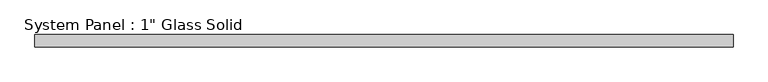
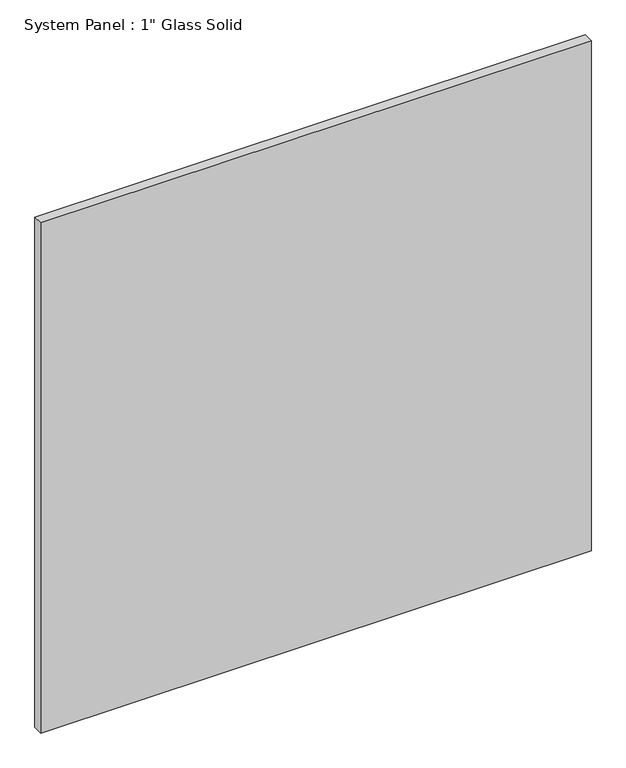
"""IFC4 building model written with IfcOpenShell, lengths in millimetres: plate geometry."""

from ifc_helpers import new_model, si_unit, origin, origin_with_axes, place, context, project, spatial, polyline, outline, extrude, source, transform, mapped, element, save


def plate_69164c5f(model_context):
    return source(origin(), model_context, "Body", "SweptSolid", [
        extrude(outline(polyline([(716.0139199, -12.7), (-716.0139199, -12.7), (-716.0139199, 12.7), (716.0139199, 12.7), (716.0139199, -12.7)])), origin_with_axes(), (0.0, 0.0, 1.0), 1403.2411731),
    ])


if __name__ == "__main__":
    model = new_model("IFC4")
    model_context = context("Model", 3, world=origin())
    ifc_project = project(units=[si_unit("LENGTHUNIT", "METRE", prefix="MILLI")], contexts=[model_context])
    site = spatial("IfcSite", under=ifc_project)
    building = spatial("IfcBuilding", under=site)
    placement = place(None, origin())
    plate_shape = plate_69164c5f(model_context)
    element("IfcPlate", 1, ObjectType="System Panel : 1\" Glass Solid", at=placement, inside=building, context=model_context, shape_type="MappedRepresentation", body=[
        mapped(plate_shape, transform((0.0, 0.0, 0.0), x_axis=(1.0, 0.0, 0.0), y_axis=(0.0, 1.0, 0.0), z_axis=(0.0, 0.0, 1.0))),
    ])
    save(model, "model.ifc")
